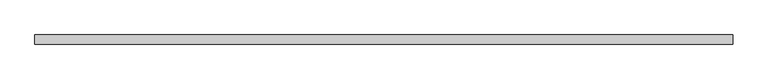
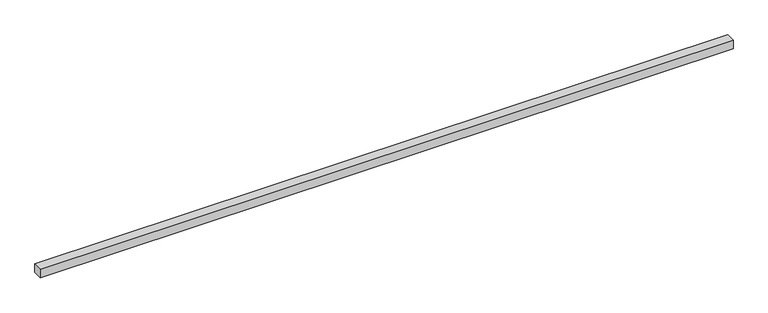
"""IFC4 building model written with IfcOpenShell, lengths in millimetres: beam geometry."""

import ifcopenshell
import ifcopenshell.guid

model = None  # the IFC model being written
_history = None  # IfcOwnerHistory: only IFC2X3 demands one
_inside = {}  # id of a spatial element -> (the spatial element, [elements in it])
_under = {}  # id of a project, library or spatial element -> (it, [spatial elements below it])
_declared = {}  # id of a project -> (the project, [libraries it declares])
_typed = {}  # id of a type object -> (the type object, [elements of that type])
_made_of = {}  # id of a material, layer set ... -> (it, [elements and type objects made of it])


def new_model(schema):
    """Start an empty IFC model of exactly this schema.

    Asked for "IFC4X3", IfcOpenShell would pick the latest addendum, in which some entities
    have other attributes; the version numbers below select the first issue.
    IFC2X3 requires an IfcOwnerHistory on every rooted entity: one is made here for all.
    """
    global model, _history
    if schema == "IFC4X3":
        model = ifcopenshell.file(schema_version=(4, 3, 0, 0))
    else:
        model = ifcopenshell.file(schema=schema)
    _inside.clear()
    _under.clear()
    _declared.clear()
    _typed.clear()
    _made_of.clear()
    _history = None
    if model.schema == "IFC2X3":
        org = make("IfcOrganization", Name="unknown")
        user = make(
            "IfcPersonAndOrganization",
            ThePerson=make("IfcPerson", FamilyName="unknown"),
            TheOrganization=org,
        )
        app = make(
            "IfcApplication",
            ApplicationDeveloper=org,
            Version="unknown",
            ApplicationFullName="unknown",
            ApplicationIdentifier="unknown",
        )
        _history = make(
            "IfcOwnerHistory",
            OwningUser=user,
            OwningApplication=app,
            ChangeAction="ADDED",
            CreationDate=0,
        )
    return model


def make(cls, **values):
    """One entity of the class cls with the attributes given. An attribute that is None is left unset."""
    return model.create_entity(
        cls, **{name: value for name, value in values.items() if value is not None}
    )


def rooted(cls, **values):
    """An entity with a GlobalId (a new one), such as an element, a storey or a relation."""
    return make(cls, GlobalId=ifcopenshell.guid.new(), OwnerHistory=_history, **values)


def si_unit(unit_type, name, prefix=None):
    """IfcSIUnit, for example si_unit("LENGTHUNIT", "METRE", prefix="MILLI")."""
    return make("IfcSIUnit", UnitType=unit_type, Prefix=prefix, Name=name)


def assignment(units):
    """IfcUnitAssignment: the units of a project."""
    return None if units is None else make("IfcUnitAssignment", Units=units)


def point(xyz):
    """IfcCartesianPoint."""
    return None if xyz is None else make("IfcCartesianPoint", Coordinates=xyz)


def direction(xyz):
    """IfcDirection."""
    return None if xyz is None else make("IfcDirection", DirectionRatios=xyz)


def frame(location, z_axis=None, x_axis=None):
    """IfcAxis2Placement3D, a coordinate frame: its origin and axes. An axis left out is left unset."""
    return make(
        "IfcAxis2Placement3D",
        Location=point(location),
        Axis=direction(z_axis),
        RefDirection=direction(x_axis),
    )


def origin():
    """The frame at (0, 0, 0) with its axes left unset."""
    return frame((0.0, 0.0, 0.0))


def place(relative_to, where):
    """IfcLocalPlacement: puts the frame where relative to a parent placement (None: the world)."""
    return make(
        "IfcLocalPlacement", PlacementRelTo=relative_to, RelativePlacement=where
    )


def context(
    kind, dimensions, precision=None, world=None, true_north=None, identifier=None
):
    """IfcGeometricRepresentationContext, for example the 3D "Model" context."""
    return make(
        "IfcGeometricRepresentationContext",
        ContextIdentifier=identifier,
        ContextType=kind,
        CoordinateSpaceDimension=dimensions,
        Precision=precision,
        WorldCoordinateSystem=world,
        TrueNorth=true_north,
    )


def project(units=None, contexts=None):
    """IfcProject with its units and contexts."""
    return rooted(
        "IfcProject",
        Name="project",
        RepresentationContexts=contexts,
        UnitsInContext=assignment(units),
    )


def spatial(cls, under=None, at=None, **own):
    """A site, building, storey or space (cls), placed at a placement, below another one or the project."""
    s = rooted(cls, ObjectPlacement=at, **own)
    if under is not None:
        _under.setdefault(under.id(), (under, []))[1].append(s)
    return s


def polyline(points):
    """IfcPolyline through the points."""
    return make("IfcPolyline", Points=[point(p) for p in points])


def outline(outer, holes=None, kind="AREA"):
    """IfcArbitraryClosedProfileDef: a profile drawn as a closed curve; with holes, ...WithVoids."""
    if holes is None:
        return make("IfcArbitraryClosedProfileDef", ProfileType=kind, OuterCurve=outer)
    return make(
        "IfcArbitraryProfileDefWithVoids",
        ProfileType=kind,
        OuterCurve=outer,
        InnerCurves=holes,
    )


def extrude(swept, where, along, depth):
    """IfcExtrudedAreaSolid: the profile swept, set in the frame where, extruded along a direction by depth."""
    return make(
        "IfcExtrudedAreaSolid",
        SweptArea=swept,
        Position=where,
        ExtrudedDirection=direction(along),
        Depth=depth,
    )


def shape(context_of_items, identifier, shape_type, items):
    """IfcShapeRepresentation: the items that make up one representation, for example the "Body"."""
    return make(
        "IfcShapeRepresentation",
        ContextOfItems=context_of_items,
        RepresentationIdentifier=identifier,
        RepresentationType=shape_type,
        Items=items,
    )


def source(mapping_origin, context_of_items, identifier, shape_type, items):
    """IfcRepresentationMap: a shape defined once, which mapped items show again and again."""
    return make(
        "IfcRepresentationMap",
        MappingOrigin=mapping_origin,
        MappedRepresentation=shape(context_of_items, identifier, shape_type, items),
    )


def transform(
    local_origin,
    x_axis=None,
    y_axis=None,
    z_axis=None,
    scale=None,
    scale2=None,
    scale3=None,
    uniform=True,
):
    """IfcCartesianTransformationOperator3D, or its non-uniform kind. x_axis, y_axis, z_axis: its Axis1, 2, 3."""
    if uniform:
        return make(
            "IfcCartesianTransformationOperator3D",
            Axis1=direction(x_axis),
            Axis2=direction(y_axis),
            LocalOrigin=point(local_origin),
            Scale=scale,
            Axis3=direction(z_axis),
        )
    return make(
        "IfcCartesianTransformationOperator3DnonUniform",
        Axis1=direction(x_axis),
        Axis2=direction(y_axis),
        LocalOrigin=point(local_origin),
        Scale=scale,
        Axis3=direction(z_axis),
        Scale2=scale2,
        Scale3=scale3,
    )


def mapped(mapping_source, mapping_target):
    """IfcMappedItem: shows the shape of a source again, moved by a transform."""
    return make(
        "IfcMappedItem", MappingSource=mapping_source, MappingTarget=mapping_target
    )


def made_of(thing, what):
    """Note that an element or type object is made of a material, layer set ...; save() writes the relation."""
    if what is not None:
        _made_of.setdefault(what.id(), (what, []))[1].append(thing)
    return thing


def element(
    cls,
    number,
    at=None,
    inside=None,
    cuts=None,
    type_object=None,
    material=None,
    context=None,
    identifier="Body",
    shape_type=None,
    held_by="IfcProductDefinitionShape",
    body=None,
    shapes=None,
    **own,
):
    """One element of the class cls, such as IfcWall. Its Tag is "e" and its number.

    at: its placement. inside: the storey or other place that contains it. cuts: it is an
    opening in that element (IfcRelVoidsElement). A single representation is given by context,
    identifier, shape_type and body (its items); several are given by shapes. held_by: the class
    of the entity that holds the representations. save() writes the other relations.
    """
    e = rooted(cls, Tag="e%d" % number, ObjectPlacement=at, **own)
    if body is not None:
        shapes = [shape(context, identifier, shape_type, body)]
    if shapes is not None:
        e.Representation = make(held_by, Representations=shapes)
    if inside is not None:
        _inside.setdefault(inside.id(), (inside, []))[1].append(e)
    if cuts is not None:
        rooted(
            "IfcRelVoidsElement", RelatingBuildingElement=cuts, RelatedOpeningElement=e
        )
    if type_object is not None:
        _typed.setdefault(type_object.id(), (type_object, []))[1].append(e)
    return made_of(e, material)


def aggregate(whole, parts):
    """IfcRelAggregates: a whole, such as a stair, and the parts it consists of."""
    return rooted("IfcRelAggregates", RelatingObject=whole, RelatedObjects=parts)


def save(model, path):
    """Write the relations noted so far, then the file.

    IfcRelAggregates (storeys below a building ...), IfcRelContainedInSpatialStructure (elements
    in a storey), IfcRelDefinesByType, IfcRelAssociatesMaterial and IfcRelDeclares: one each for
    every whole, place, type object, material and project.
    """
    for whole, parts in _under.values():
        aggregate(whole, parts)
    for where, things in _inside.values():
        rooted(
            "IfcRelContainedInSpatialStructure",
            RelatedElements=things,
            RelatingStructure=where,
        )
    for kind, things in _typed.values():
        rooted("IfcRelDefinesByType", RelatedObjects=things, RelatingType=kind)
    for what, things in _made_of.values():
        rooted("IfcRelAssociatesMaterial", RelatedObjects=things, RelatingMaterial=what)
    for by, libraries in _declared.values():
        rooted("IfcRelDeclares", RelatingContext=by, RelatedDefinitions=libraries)
    model.write(path)


def beam_2a68ed2c(model_context):
    return source(origin(), model_context, "Body", "SweptSolid", [
        extrude(outline(polyline([(1150.0, 15.0), (1150.0, -15.0), (-1150.0, -15.0), (-1150.0, 15.0), (1150.0, 15.0)])), frame((0.0, 0.0, -15.0), z_axis=(0.0, 0.0, 1.0), x_axis=(1.0, 0.0, 0.0)), (0.0, 0.0, 1.0), 30.0),
    ])


if __name__ == "__main__":
    model = new_model("IFC4")
    model_context = context("Model", 3, world=origin())
    ifc_project = project(units=[si_unit("LENGTHUNIT", "METRE", prefix="MILLI")], contexts=[model_context])
    site = spatial("IfcSite", under=ifc_project)
    building = spatial("IfcBuilding", under=site)
    placement = place(None, origin())
    beam_shape = beam_2a68ed2c(model_context)
    element("IfcBeam", 1, at=placement, inside=building, context=model_context, shape_type="MappedRepresentation", body=[
        mapped(beam_shape, transform((0.0, 0.0, 0.0), x_axis=(1.0, 0.0, 0.0), y_axis=(0.0, 1.0, 0.0), z_axis=(0.0, 0.0, 1.0))),
    ])
    save(model, "model.ifc")
